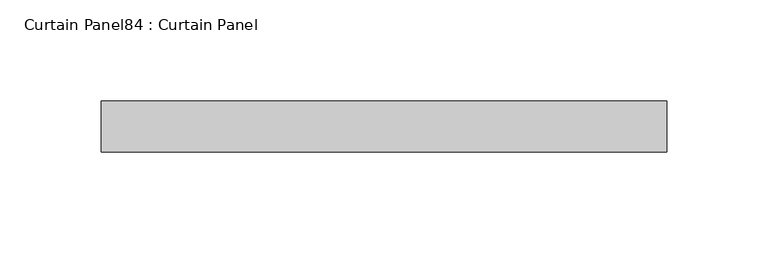
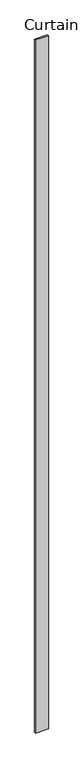
"""IFC4 building model written with IfcOpenShell, lengths in millimetres: plate geometry, Curtain Panel84 : Curtain Panel."""

from ifc_helpers import new_model, si_unit, frame, origin, place, context, project, spatial, polyline, outline, extrude, source, transform, mapped, element, save


def curtain_panel84_curtain_panel_f275c4e6(model_context):
    return source(origin(), model_context, "Body", "SweptSolid", [
        extrude(outline(polyline([(174193.9950674, 7952.3834949), (173913.989209, 7952.3834949), (173913.989209, 7977.7834949), (174193.9950674, 7977.7834949), (174193.9950674, 7952.3834949)])), frame((0.0, 0.0, 1433.7679301), z_axis=(0.0, 0.0, 1.0), x_axis=(1.0, 0.0, 0.0)), (0.0, 0.0, 1.0), 15786.2064664),
    ])


if __name__ == "__main__":
    model = new_model("IFC4")
    model_context = context("Model", 3, world=origin())
    ifc_project = project(units=[si_unit("LENGTHUNIT", "METRE", prefix="MILLI")], contexts=[model_context])
    site = spatial("IfcSite", under=ifc_project)
    building = spatial("IfcBuilding", under=site)
    placement = place(None, origin())
    curtain_panel84_curtain_panel_shape = curtain_panel84_curtain_panel_f275c4e6(model_context)
    element("IfcPlate", 1, ObjectType="Curtain Panel84 : Curtain Panel", at=placement, inside=building, context=model_context, shape_type="MappedRepresentation", body=[
        mapped(curtain_panel84_curtain_panel_shape, transform((0.0, 0.0, 0.0), x_axis=(1.0, 0.0, 0.0), y_axis=(0.0, 1.0, 0.0), z_axis=(0.0, 0.0, 1.0))),
    ])
    save(model, "model.ifc")
